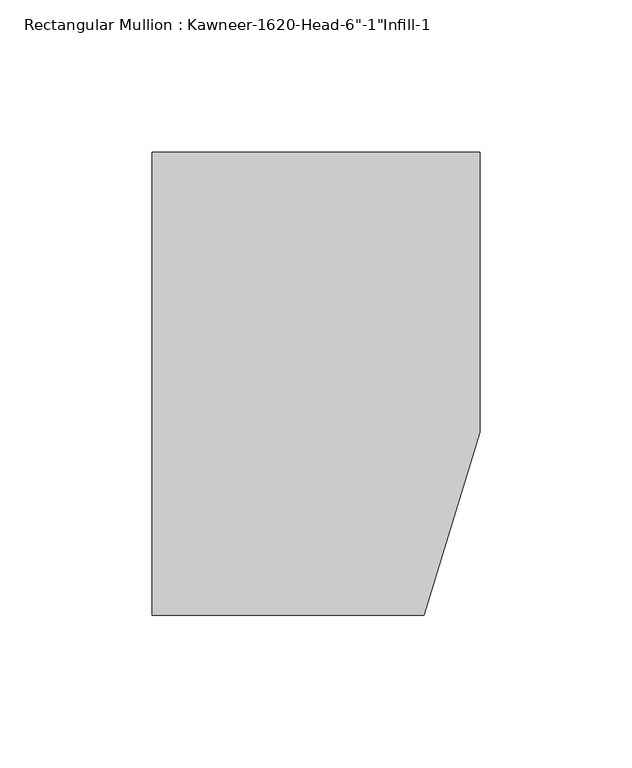
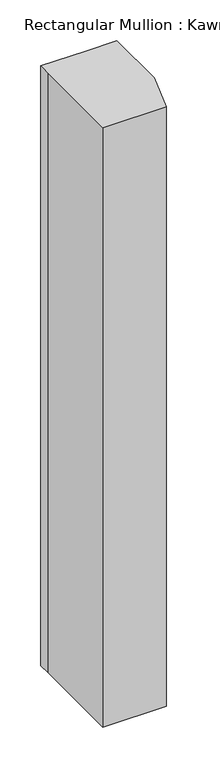
"""IFC4 building model written with IfcOpenShell, lengths in millimetres: member geometry."""

from ifc_helpers import new_model, si_unit, frame, origin, place, context, project, spatial, polyline, outline, extrude, source, transform, mapped, element, save


def member_d4d8ec30(model_context):
    return source(origin(), model_context, "Body", "SweptSolid", [
        extrude(outline(polyline([(-107.95, 19.9095466), (-107.95, 38.1), (-44.1519366, 38.1), (0.0, 38.1), (0.0, -53.975), (-18.3538271, -114.3), (-107.95, -114.3), (-107.95, 19.9095466)])), frame((0.0, 0.0, -898.525), z_axis=(0.0, 0.0, 1.0), x_axis=(1.0, 0.0, 0.0)), (0.0, 0.0, 1.0), 898.525),
    ])


if __name__ == "__main__":
    model = new_model("IFC4")
    model_context = context("Model", 3, world=origin())
    ifc_project = project(units=[si_unit("LENGTHUNIT", "METRE", prefix="MILLI")], contexts=[model_context])
    site = spatial("IfcSite", under=ifc_project)
    building = spatial("IfcBuilding", under=site)
    placement = place(None, origin())
    member_shape = member_d4d8ec30(model_context)
    element("IfcMember", 1, ObjectType="Rectangular Mullion : Kawneer-1620-Head-6\"-1\"Infill-1", at=placement, inside=building, context=model_context, shape_type="MappedRepresentation", body=[
        mapped(member_shape, transform((0.0, 0.0, 0.0), x_axis=(1.0, 0.0, 0.0), y_axis=(0.0, 1.0, 0.0), z_axis=(0.0, 0.0, 1.0))),
    ])
    save(model, "model.ifc")
